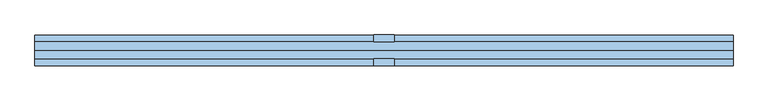
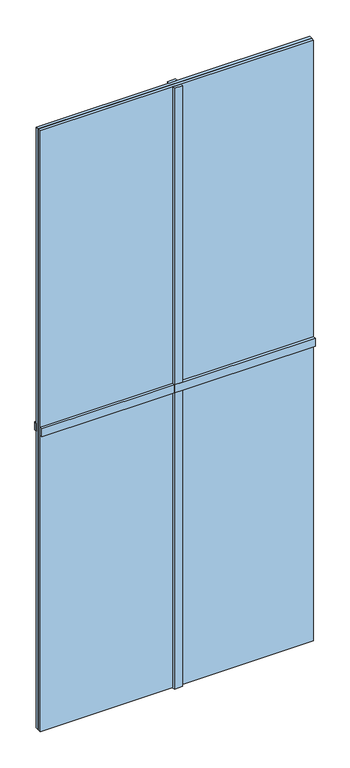
"""IFC4 building model written with IfcOpenShell, lengths in millimetres: window geometry."""

import ifcopenshell
import ifcopenshell.guid

model = None  # the IFC model being written
_history = None  # IfcOwnerHistory: only IFC2X3 demands one
_inside = {}  # id of a spatial element -> (the spatial element, [elements in it])
_under = {}  # id of a project, library or spatial element -> (it, [spatial elements below it])
_declared = {}  # id of a project -> (the project, [libraries it declares])
_typed = {}  # id of a type object -> (the type object, [elements of that type])
_made_of = {}  # id of a material, layer set ... -> (it, [elements and type objects made of it])


def new_model(schema):
    """Start an empty IFC model of exactly this schema.

    Asked for "IFC4X3", IfcOpenShell would pick the latest addendum, in which some entities
    have other attributes; the version numbers below select the first issue.
    IFC2X3 requires an IfcOwnerHistory on every rooted entity: one is made here for all.
    """
    global model, _history
    if schema == "IFC4X3":
        model = ifcopenshell.file(schema_version=(4, 3, 0, 0))
    else:
        model = ifcopenshell.file(schema=schema)
    _inside.clear()
    _under.clear()
    _declared.clear()
    _typed.clear()
    _made_of.clear()
    _history = None
    if model.schema == "IFC2X3":
        org = make("IfcOrganization", Name="unknown")
        user = make(
            "IfcPersonAndOrganization",
            ThePerson=make("IfcPerson", FamilyName="unknown"),
            TheOrganization=org,
        )
        app = make(
            "IfcApplication",
            ApplicationDeveloper=org,
            Version="unknown",
            ApplicationFullName="unknown",
            ApplicationIdentifier="unknown",
        )
        _history = make(
            "IfcOwnerHistory",
            OwningUser=user,
            OwningApplication=app,
            ChangeAction="ADDED",
            CreationDate=0,
        )
    return model


def make(cls, **values):
    """One entity of the class cls with the attributes given. An attribute that is None is left unset."""
    return model.create_entity(
        cls, **{name: value for name, value in values.items() if value is not None}
    )


def rooted(cls, **values):
    """An entity with a GlobalId (a new one), such as an element, a storey or a relation."""
    return make(cls, GlobalId=ifcopenshell.guid.new(), OwnerHistory=_history, **values)


def si_unit(unit_type, name, prefix=None):
    """IfcSIUnit, for example si_unit("LENGTHUNIT", "METRE", prefix="MILLI")."""
    return make("IfcSIUnit", UnitType=unit_type, Prefix=prefix, Name=name)


def assignment(units):
    """IfcUnitAssignment: the units of a project."""
    return None if units is None else make("IfcUnitAssignment", Units=units)


def point(xyz):
    """IfcCartesianPoint."""
    return None if xyz is None else make("IfcCartesianPoint", Coordinates=xyz)


def direction(xyz):
    """IfcDirection."""
    return None if xyz is None else make("IfcDirection", DirectionRatios=xyz)


def frame(location, z_axis=None, x_axis=None):
    """IfcAxis2Placement3D, a coordinate frame: its origin and axes. An axis left out is left unset."""
    return make(
        "IfcAxis2Placement3D",
        Location=point(location),
        Axis=direction(z_axis),
        RefDirection=direction(x_axis),
    )


def origin():
    """The frame at (0, 0, 0) with its axes left unset."""
    return frame((0.0, 0.0, 0.0))


def origin_with_axes():
    """The frame at (0, 0, 0) with the z axis (0, 0, 1) and the x axis (1, 0, 0) written out."""
    return frame((0.0, 0.0, 0.0), z_axis=(0.0, 0.0, 1.0), x_axis=(1.0, 0.0, 0.0))


def place(relative_to, where):
    """IfcLocalPlacement: puts the frame where relative to a parent placement (None: the world)."""
    return make(
        "IfcLocalPlacement", PlacementRelTo=relative_to, RelativePlacement=where
    )


def context(
    kind, dimensions, precision=None, world=None, true_north=None, identifier=None
):
    """IfcGeometricRepresentationContext, for example the 3D "Model" context."""
    return make(
        "IfcGeometricRepresentationContext",
        ContextIdentifier=identifier,
        ContextType=kind,
        CoordinateSpaceDimension=dimensions,
        Precision=precision,
        WorldCoordinateSystem=world,
        TrueNorth=true_north,
    )


def project(units=None, contexts=None):
    """IfcProject with its units and contexts."""
    return rooted(
        "IfcProject",
        Name="project",
        RepresentationContexts=contexts,
        UnitsInContext=assignment(units),
    )


def spatial(cls, under=None, at=None, **own):
    """A site, building, storey or space (cls), placed at a placement, below another one or the project."""
    s = rooted(cls, ObjectPlacement=at, **own)
    if under is not None:
        _under.setdefault(under.id(), (under, []))[1].append(s)
    return s


def polyline(points):
    """IfcPolyline through the points."""
    return make("IfcPolyline", Points=[point(p) for p in points])


def outline(outer, holes=None, kind="AREA"):
    """IfcArbitraryClosedProfileDef: a profile drawn as a closed curve; with holes, ...WithVoids."""
    if holes is None:
        return make("IfcArbitraryClosedProfileDef", ProfileType=kind, OuterCurve=outer)
    return make(
        "IfcArbitraryProfileDefWithVoids",
        ProfileType=kind,
        OuterCurve=outer,
        InnerCurves=holes,
    )


def extrude(swept, where, along, depth):
    """IfcExtrudedAreaSolid: the profile swept, set in the frame where, extruded along a direction by depth."""
    return make(
        "IfcExtrudedAreaSolid",
        SweptArea=swept,
        Position=where,
        ExtrudedDirection=direction(along),
        Depth=depth,
    )


def shape(context_of_items, identifier, shape_type, items):
    """IfcShapeRepresentation: the items that make up one representation, for example the "Body"."""
    return make(
        "IfcShapeRepresentation",
        ContextOfItems=context_of_items,
        RepresentationIdentifier=identifier,
        RepresentationType=shape_type,
        Items=items,
    )


def source(mapping_origin, context_of_items, identifier, shape_type, items):
    """IfcRepresentationMap: a shape defined once, which mapped items show again and again."""
    return make(
        "IfcRepresentationMap",
        MappingOrigin=mapping_origin,
        MappedRepresentation=shape(context_of_items, identifier, shape_type, items),
    )


def transform(
    local_origin,
    x_axis=None,
    y_axis=None,
    z_axis=None,
    scale=None,
    scale2=None,
    scale3=None,
    uniform=True,
):
    """IfcCartesianTransformationOperator3D, or its non-uniform kind. x_axis, y_axis, z_axis: its Axis1, 2, 3."""
    if uniform:
        return make(
            "IfcCartesianTransformationOperator3D",
            Axis1=direction(x_axis),
            Axis2=direction(y_axis),
            LocalOrigin=point(local_origin),
            Scale=scale,
            Axis3=direction(z_axis),
        )
    return make(
        "IfcCartesianTransformationOperator3DnonUniform",
        Axis1=direction(x_axis),
        Axis2=direction(y_axis),
        LocalOrigin=point(local_origin),
        Scale=scale,
        Axis3=direction(z_axis),
        Scale2=scale2,
        Scale3=scale3,
    )


def mapped(mapping_source, mapping_target):
    """IfcMappedItem: shows the shape of a source again, moved by a transform."""
    return make(
        "IfcMappedItem", MappingSource=mapping_source, MappingTarget=mapping_target
    )


def made_of(thing, what):
    """Note that an element or type object is made of a material, layer set ...; save() writes the relation."""
    if what is not None:
        _made_of.setdefault(what.id(), (what, []))[1].append(thing)
    return thing


def element(
    cls,
    number,
    at=None,
    inside=None,
    cuts=None,
    type_object=None,
    material=None,
    context=None,
    identifier="Body",
    shape_type=None,
    held_by="IfcProductDefinitionShape",
    body=None,
    shapes=None,
    **own,
):
    """One element of the class cls, such as IfcWall. Its Tag is "e" and its number.

    at: its placement. inside: the storey or other place that contains it. cuts: it is an
    opening in that element (IfcRelVoidsElement). A single representation is given by context,
    identifier, shape_type and body (its items); several are given by shapes. held_by: the class
    of the entity that holds the representations. save() writes the other relations.
    """
    e = rooted(cls, Tag="e%d" % number, ObjectPlacement=at, **own)
    if body is not None:
        shapes = [shape(context, identifier, shape_type, body)]
    if shapes is not None:
        e.Representation = make(held_by, Representations=shapes)
    if inside is not None:
        _inside.setdefault(inside.id(), (inside, []))[1].append(e)
    if cuts is not None:
        rooted(
            "IfcRelVoidsElement", RelatingBuildingElement=cuts, RelatedOpeningElement=e
        )
    if type_object is not None:
        _typed.setdefault(type_object.id(), (type_object, []))[1].append(e)
    return made_of(e, material)


def aggregate(whole, parts):
    """IfcRelAggregates: a whole, such as a stair, and the parts it consists of."""
    return rooted("IfcRelAggregates", RelatingObject=whole, RelatedObjects=parts)


def save(model, path):
    """Write the relations noted so far, then the file.

    IfcRelAggregates (storeys below a building ...), IfcRelContainedInSpatialStructure (elements
    in a storey), IfcRelDefinesByType, IfcRelAssociatesMaterial and IfcRelDeclares: one each for
    every whole, place, type object, material and project.
    """
    for whole, parts in _under.values():
        aggregate(whole, parts)
    for where, things in _inside.values():
        rooted(
            "IfcRelContainedInSpatialStructure",
            RelatedElements=things,
            RelatingStructure=where,
        )
    for kind, things in _typed.values():
        rooted("IfcRelDefinesByType", RelatedObjects=things, RelatingType=kind)
    for what, things in _made_of.values():
        rooted("IfcRelAssociatesMaterial", RelatedObjects=things, RelatingMaterial=what)
    for by, libraries in _declared.values():
        rooted("IfcRelDeclares", RelatingContext=by, RelatedDefinitions=libraries)
    model.write(path)


def window_719cc203(model_context):
    return source(origin(), model_context, "Body", "SweptSolid", [
        extrude(outline(polyline([(-15.0, 12.0), (-15.0, 22.0), (15.0, 22.0), (15.0, 12.0), (-15.0, 12.0)])), origin_with_axes(), (0.0, 0.0, 1.0), 2319.5),
        extrude(outline(polyline([(499.75, 22.0), (499.75, 12.0), (-499.75, 12.0), (-499.75, 22.0), (499.75, 22.0)])), frame((0.0, 0.0, 1144.75), z_axis=(0.0, 0.0, 1.0), x_axis=(1.0, 0.0, 0.0)), (0.0, 0.0, 1.0), 30.0),
        extrude(outline(polyline([(-499.75, -22.0), (-499.75, -12.0), (499.75, -12.0), (499.75, -22.0), (-499.75, -22.0)])), frame((0.0, 0.0, 1144.75), z_axis=(0.0, 0.0, 1.0), x_axis=(1.0, 0.0, 0.0)), (0.0, 0.0, 1.0), 30.0),
        extrude(outline(polyline([(-15.0, -12.0), (15.0, -12.0), (15.0, -22.0), (-15.0, -22.0), (-15.0, -12.0)])), origin_with_axes(), (0.0, 0.0, 1.0), 2319.5),
        extrude(outline(polyline([(-499.75, 12.0), (499.75, 12.0), (499.75, 0.0), (-499.75, 0.0), (-499.75, 12.0)])), origin_with_axes(), (0.0, 0.0, 1.0), 2319.5),
        extrude(outline(polyline([(-499.75, 0.0), (499.75, 0.0), (499.75, -12.0), (-499.75, -12.0), (-499.75, 0.0)])), origin_with_axes(), (0.0, 0.0, 1.0), 2319.5),
    ])


if __name__ == "__main__":
    model = new_model("IFC4")
    model_context = context("Model", 3, world=origin())
    ifc_project = project(units=[si_unit("LENGTHUNIT", "METRE", prefix="MILLI")], contexts=[model_context])
    site = spatial("IfcSite", under=ifc_project)
    building = spatial("IfcBuilding", under=site)
    placement = place(None, origin())
    window_shape = window_719cc203(model_context)
    element("IfcWindow", 1, at=placement, inside=building, context=model_context, shape_type="MappedRepresentation", body=[
        mapped(window_shape, transform((0.0, 0.0, 0.0), x_axis=(1.0, 0.0, 0.0), y_axis=(0.0, 1.0, 0.0), z_axis=(0.0, 0.0, 1.0))),
    ])
    save(model, "model.ifc")
